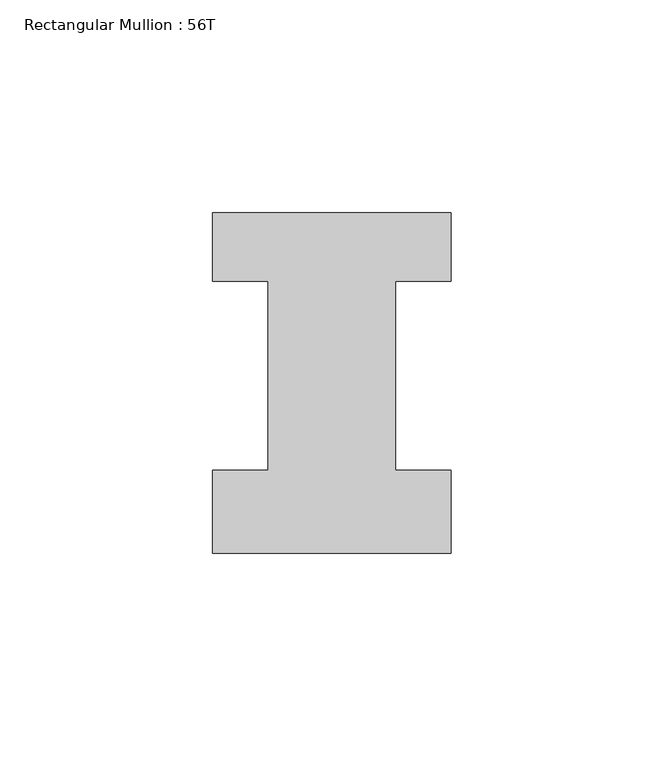
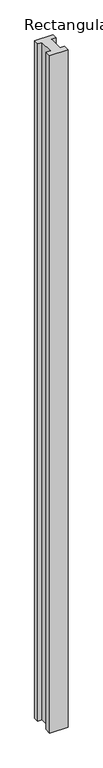
"""IFC4 building model written with IfcOpenShell, lengths in millimetres: member geometry, Rectangular Mullion : 56T."""

from ifc_helpers import new_model, si_unit, frame, origin, place, context, project, spatial, polyline, outline, extrude, source, transform, mapped, element, save


def rectangular_mullion_56t_f409ad87(model_context):
    return source(origin(), model_context, "Body", "SweptSolid", [
        extrude(outline(polyline([(28.0, -20.0), (-28.0, -20.0), (-28.0, -0.5), (-15.0, -0.5), (-15.0, 44.0), (-28.0, 44.0), (-28.0, 60.0), (28.0, 60.0), (28.0, 44.0), (15.0, 44.0), (15.0, -0.5), (28.0, -0.5), (28.0, -20.0)])), frame((0.0, 0.0, -2200.0), z_axis=(0.0, 0.0, 1.0), x_axis=(1.0, 0.0, 0.0)), (0.0, 0.0, 1.0), 2200.0),
    ])


if __name__ == "__main__":
    model = new_model("IFC4")
    model_context = context("Model", 3, world=origin())
    ifc_project = project(units=[si_unit("LENGTHUNIT", "METRE", prefix="MILLI")], contexts=[model_context])
    site = spatial("IfcSite", under=ifc_project)
    building = spatial("IfcBuilding", under=site)
    placement = place(None, origin())
    rectangular_mullion_56t_shape = rectangular_mullion_56t_f409ad87(model_context)
    element("IfcMember", 1, ObjectType="Rectangular Mullion : 56T", at=placement, inside=building, context=model_context, shape_type="MappedRepresentation", body=[
        mapped(rectangular_mullion_56t_shape, transform((0.0, 0.0, 0.0), x_axis=(1.0, 0.0, 0.0), y_axis=(0.0, 1.0, 0.0), z_axis=(0.0, 0.0, 1.0))),
    ])
    save(model, "model.ifc")
